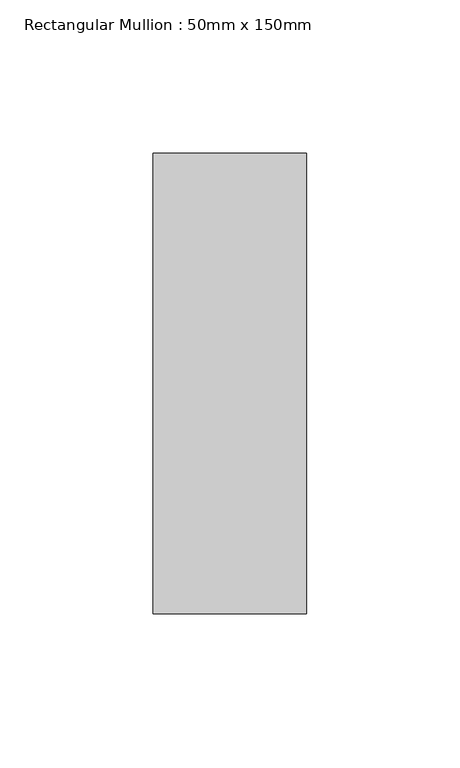
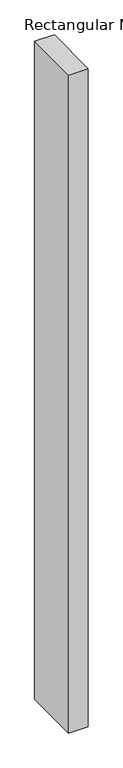
"""IFC4 building model written with IfcOpenShell, lengths in millimetres: member geometry, Rectangular Mullion : 50mm x 150mm."""

from ifc_helpers import new_model, si_unit, frame, origin, place, context, project, spatial, polyline, outline, extrude, source, transform, mapped, element, save


def rectangular_mullion_50mm_x_150mm_d1afb885(model_context):
    return source(origin(), model_context, "Body", "SweptSolid", [
        extrude(outline(polyline([(0.0, 75.0), (0.0, -75.0), (-50.0, -75.0), (-50.0, 75.0), (0.0, 75.0)])), frame((0.0, 0.0, -1775.0), z_axis=(0.0, 0.0, 1.0), x_axis=(1.0, 0.0, 0.0)), (0.0, 0.0, 1.0), 1775.0),
    ])


if __name__ == "__main__":
    model = new_model("IFC4")
    model_context = context("Model", 3, world=origin())
    ifc_project = project(units=[si_unit("LENGTHUNIT", "METRE", prefix="MILLI")], contexts=[model_context])
    site = spatial("IfcSite", under=ifc_project)
    building = spatial("IfcBuilding", under=site)
    placement = place(None, origin())
    rectangular_mullion_50mm_x_150mm_shape = rectangular_mullion_50mm_x_150mm_d1afb885(model_context)
    element("IfcMember", 1, ObjectType="Rectangular Mullion : 50mm x 150mm", at=placement, inside=building, context=model_context, shape_type="MappedRepresentation", body=[
        mapped(rectangular_mullion_50mm_x_150mm_shape, transform((0.0, 0.0, 0.0), x_axis=(1.0, 0.0, 0.0), y_axis=(0.0, 1.0, 0.0), z_axis=(0.0, 0.0, 1.0))),
    ])
    save(model, "model.ifc")
